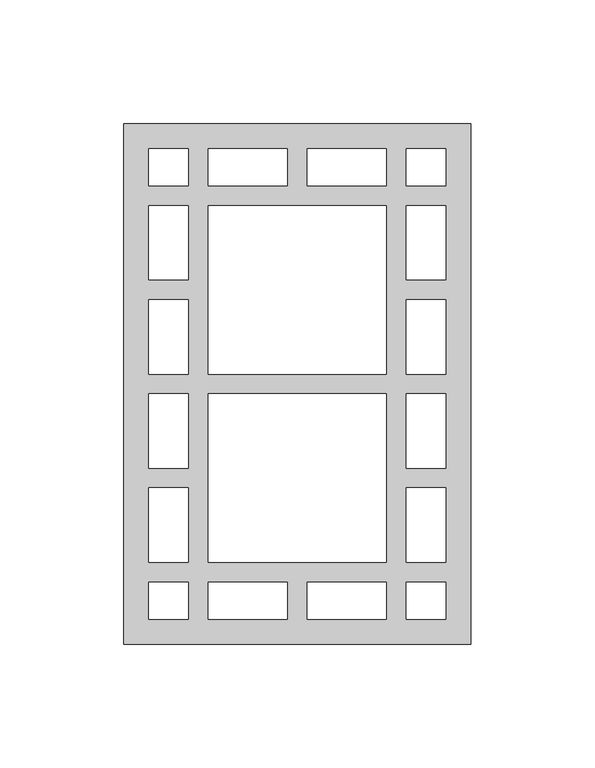
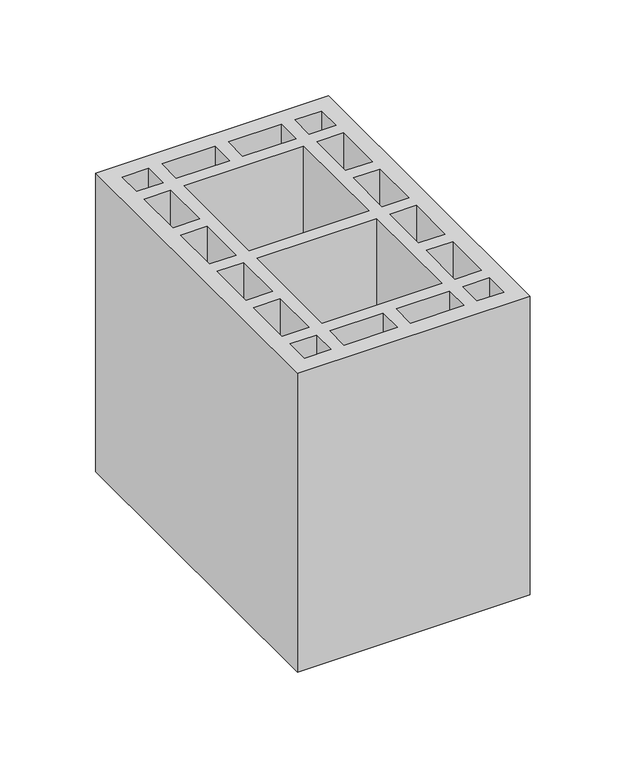
"""IFC4 building model written with IfcOpenShell, lengths in millimetres: proxy geometry."""

from ifc_helpers import new_model, si_unit, origin, origin_with_axes, place, context, project, spatial, polyline, outline, extrude, source, transform, mapped, element, save


def generic_models_a832766e(model_context):
    return source(origin(), model_context, "Body", "SweptSolid", [
        extrude(outline(polyline([(140.0, 0.0), (0.0, 0.0), (0.0, 210.0), (140.0, 210.0), (140.0, 0.0)]), holes=[polyline([(114.0, 10.0), (130.0, 10.0), (130.0, 25.0), (114.0, 25.0), (114.0, 10.0)]), polyline([(26.0, 10.0), (26.0, 25.0), (10.0, 25.0), (10.0, 10.0), (26.0, 10.0)]), polyline([(114.0, 200.0), (114.0, 185.0), (130.0, 185.0), (130.0, 200.0), (114.0, 200.0)]), polyline([(26.0, 200.0), (10.0, 200.0), (10.0, 185.0), (26.0, 185.0), (26.0, 200.0)]), polyline([(106.0, 10.0), (106.0, 25.0), (74.0, 25.0), (74.0, 10.0), (106.0, 10.0)]), polyline([(34.0, 10.0), (66.0, 10.0), (66.0, 25.0), (34.0, 25.0), (34.0, 10.0)]), polyline([(106.0, 200.0), (74.0, 200.0), (74.0, 185.0), (106.0, 185.0), (106.0, 200.0)]), polyline([(34.0, 200.0), (34.0, 185.0), (66.0, 185.0), (66.0, 200.0), (34.0, 200.0)]), polyline([(114.0, 33.0), (130.0, 33.0), (130.0, 63.0), (114.0, 63.0), (114.0, 33.0)]), polyline([(130.0, 71.0), (130.0, 101.0), (114.0, 101.0), (114.0, 71.0), (130.0, 71.0)]), polyline([(114.0, 177.0), (114.0, 147.0), (130.0, 147.0), (130.0, 177.0), (114.0, 177.0)]), polyline([(130.0, 139.0), (114.0, 139.0), (114.0, 109.0), (130.0, 109.0), (130.0, 139.0)]), polyline([(26.0, 33.0), (26.0, 63.0), (10.0, 63.0), (10.0, 33.0), (26.0, 33.0)]), polyline([(10.0, 71.0), (26.0, 71.0), (26.0, 101.0), (10.0, 101.0), (10.0, 71.0)]), polyline([(26.0, 177.0), (10.0, 177.0), (10.0, 147.0), (26.0, 147.0), (26.0, 177.0)]), polyline([(10.0, 139.0), (10.0, 109.0), (26.0, 109.0), (26.0, 139.0), (10.0, 139.0)]), polyline([(106.0, 33.0), (106.0, 101.0), (34.0, 101.0), (34.0, 33.0), (106.0, 33.0)]), polyline([(106.0, 177.0), (34.0, 177.0), (34.0, 109.0), (106.0, 109.0), (106.0, 177.0)])]), origin_with_axes(), (0.0, 0.0, 1.0), 190.0),
    ])


if __name__ == "__main__":
    model = new_model("IFC4")
    model_context = context("Model", 3, world=origin())
    ifc_project = project(units=[si_unit("LENGTHUNIT", "METRE", prefix="MILLI")], contexts=[model_context])
    site = spatial("IfcSite", under=ifc_project)
    building = spatial("IfcBuilding", under=site)
    placement = place(None, origin())
    generic_models_shape = generic_models_a832766e(model_context)
    element("IfcBuildingElementProxy", 1, Name="Generic Models", at=placement, inside=building, context=model_context, shape_type="MappedRepresentation", body=[
        mapped(generic_models_shape, transform((0.0, 0.0, 0.0), x_axis=(1.0, 0.0, 0.0), y_axis=(0.0, 1.0, 0.0), z_axis=(0.0, 0.0, 1.0))),
    ])
    save(model, "model.ifc")
